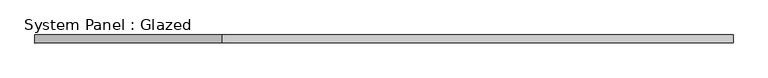
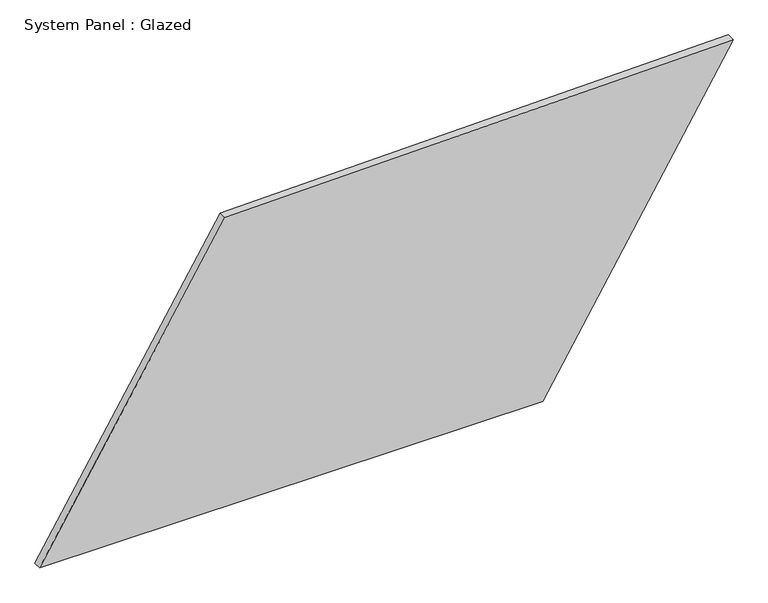
"""IFC4 building model written with IfcOpenShell, lengths in millimetres: plate geometry, System Panel : Glazed."""

from ifc_helpers import new_model, si_unit, frame, origin, place, context, project, spatial, polyline, outline, extrude, source, transform, mapped, element, save


def system_panel_glazed_21692c23(model_context):
    return source(origin(), model_context, "Body", "SweptSolid", [
        extrude(outline(polyline([(0.0, -1081.4010205), (0.0, 487.557504), (985.8461831, 1081.4010205), (952.543226, -503.1445142), (0.0, -1081.4010205)])), frame((0.0, -49.5, 0.0), z_axis=(0.0, 1.0, 0.0), x_axis=(0.0, 0.0, 1.0)), (0.0, 0.0, 1.0), 25.0),
    ])


if __name__ == "__main__":
    model = new_model("IFC4")
    model_context = context("Model", 3, world=origin())
    ifc_project = project(units=[si_unit("LENGTHUNIT", "METRE", prefix="MILLI")], contexts=[model_context])
    site = spatial("IfcSite", under=ifc_project)
    building = spatial("IfcBuilding", under=site)
    placement = place(None, origin())
    system_panel_glazed_shape = system_panel_glazed_21692c23(model_context)
    element("IfcPlate", 1, ObjectType="System Panel : Glazed", at=placement, inside=building, context=model_context, shape_type="MappedRepresentation", body=[
        mapped(system_panel_glazed_shape, transform((0.0, 0.0, 0.0), x_axis=(1.0, 0.0, 0.0), y_axis=(0.0, 1.0, 0.0), z_axis=(0.0, 0.0, 1.0))),
    ])
    save(model, "model.ifc")
